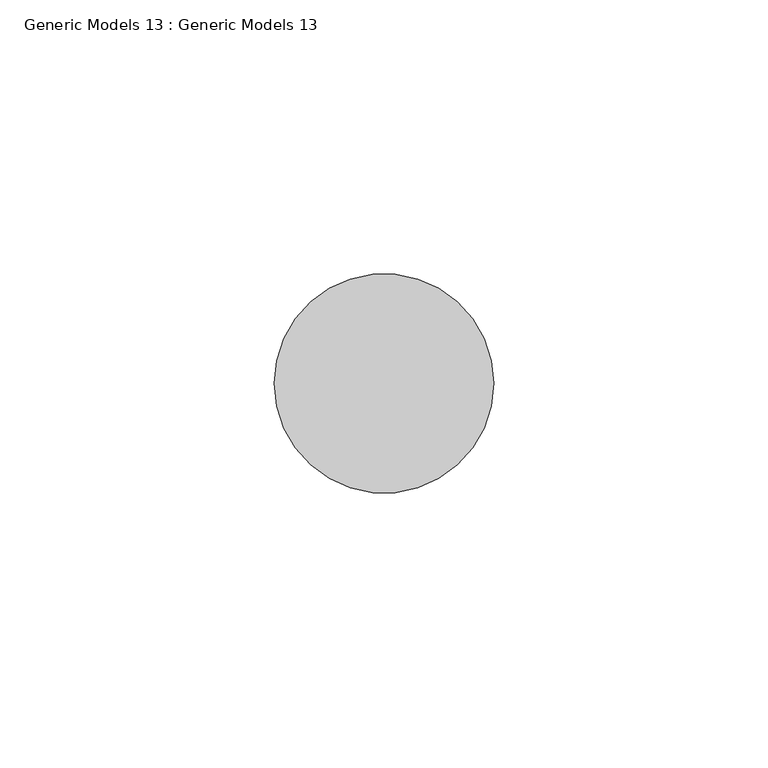
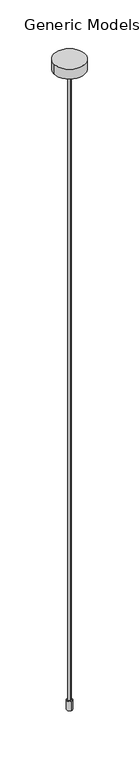
"""IFC4 building model written with IfcOpenShell, lengths in millimetres: proxy geometry, Generic Models 13 : Generic Models 13."""

from ifc_helpers import new_model, si_unit, point, frame, frame_2d, origin, place, context, project, spatial, circle_curve, trimmed, segment, composite_curve, outline, extrude, source, transform, mapped, element, save


def generic_models_13_generic_models_13_def8618e(model_context):
    return source(origin(), model_context, "Body", "SweptSolid", [
        extrude(outline(composite_curve([segment(trimmed(circle_curve(frame_2d((-45864.2168156, 47233.3035612)), 3.5), [point((-45864.2168156, 47229.8035612))], [point((-45864.2168156, 47236.8035612))], False, "CARTESIAN"), True, "CONTINUOUS"), segment(trimmed(circle_curve(frame_2d((-45864.2168156, 47233.3035612)), 3.5), [point((-45864.2168156, 47236.8035612))], [point((-45864.2168156, 47229.8035612))], False, "CARTESIAN"), True, "CONTINUOUS")], self_intersect=False)), frame((0.0, 0.0, 112269.5379089), z_axis=(0.0, 0.0, 1.0), x_axis=(1.0, 0.0, 0.0)), (0.0, 0.0, 1.0), 12.6782393),
        extrude(outline(composite_curve([segment(trimmed(circle_curve(frame_2d((-45864.2583086, 47233.2874024)), 2.0), [point((-45864.2583086, 47231.2874024))], [point((-45864.2583086, 47235.2874024))], False, "CARTESIAN"), True, "CONTINUOUS"), segment(trimmed(circle_curve(frame_2d((-45864.2583086, 47233.2874024)), 2.0), [point((-45864.2583086, 47235.2874024))], [point((-45864.2583086, 47231.2874024))], False, "CARTESIAN"), True, "CONTINUOUS")], self_intersect=False)), frame((0.0, 0.0, 112277.7459711), z_axis=(0.0, 0.0, 1.0), x_axis=(1.0, 0.0, 0.0)), (0.0, 0.0, 1.0), 861.8468723),
        extrude(outline(composite_curve([segment(trimmed(circle_curve(frame_2d((-45864.375806, 47233.3578788)), 20.0), [point((-45884.375806, 47233.3578788))], [point((-45844.375806, 47233.3578788))], False, "CARTESIAN"), True, "CONTINUOUS"), segment(trimmed(circle_curve(frame_2d((-45864.375806, 47233.3578788)), 20.0), [point((-45844.375806, 47233.3578788))], [point((-45884.375806, 47233.3578788))], False, "CARTESIAN"), True, "CONTINUOUS")], self_intersect=False)), frame((0.0, 0.0, 113139.5928434), z_axis=(0.0, 0.0, 1.0), x_axis=(1.0, 0.0, 0.0)), (0.0, 0.0, 1.0), 13.2211783),
    ])


if __name__ == "__main__":
    model = new_model("IFC4")
    model_context = context("Model", 3, world=origin())
    ifc_project = project(units=[si_unit("LENGTHUNIT", "METRE", prefix="MILLI")], contexts=[model_context])
    site = spatial("IfcSite", under=ifc_project)
    building = spatial("IfcBuilding", under=site)
    placement = place(None, origin())
    generic_models_13_generic_models_13_shape = generic_models_13_generic_models_13_def8618e(model_context)
    element("IfcBuildingElementProxy", 1, Name="Generic Models 13 : Generic Models 13", ObjectType="Generic Models 13 : Generic Models 13", at=placement, inside=building, context=model_context, shape_type="MappedRepresentation", body=[
        mapped(generic_models_13_generic_models_13_shape, transform((0.0, 0.0, 0.0), x_axis=(1.0, 0.0, 0.0), y_axis=(0.0, 1.0, 0.0), z_axis=(0.0, 0.0, 1.0))),
    ])
    save(model, "model.ifc")
